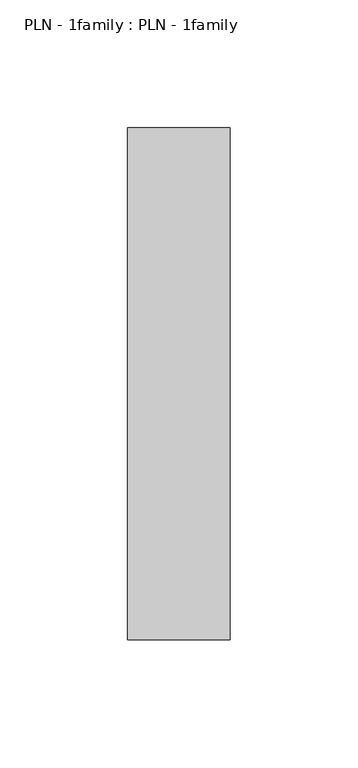
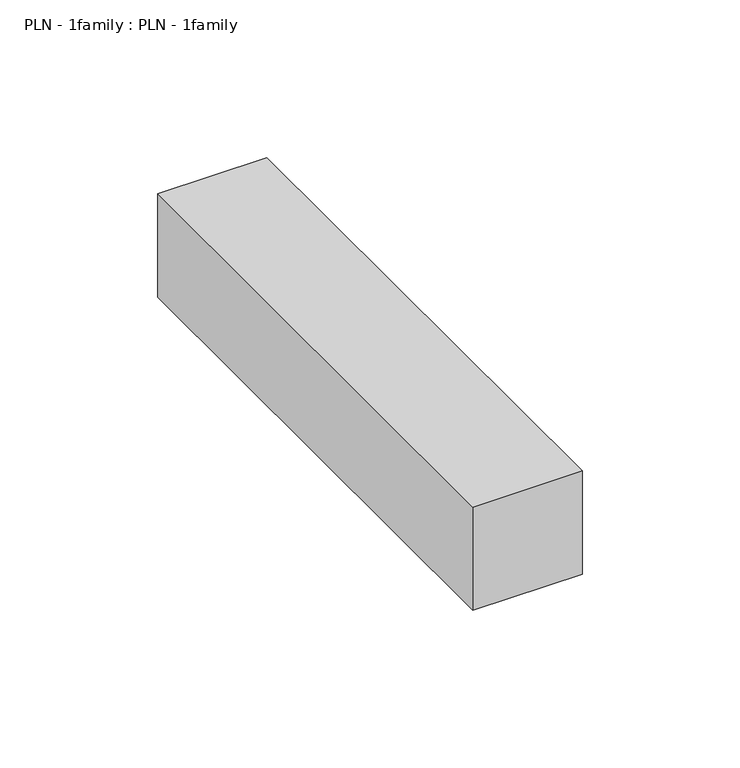
"""IFC4 building model written with IfcOpenShell, lengths in millimetres: proxy geometry, PLN - 1family : PLN - 1family."""

from ifc_helpers import new_model, si_unit, frame, origin, place, context, project, spatial, polyline, outline, extrude, source, transform, mapped, element, save


def pln_1family_pln_1family_5cd1d0f5(model_context):
    return source(origin(), model_context, "Body", "SweptSolid", [
        extrude(outline(polyline([(0.0, 200.0), (40.0, 200.0), (40.0, 0.0), (0.0, 0.0), (0.0, 200.0)])), frame((0.0, 0.0, 300.0), z_axis=(0.0, 0.0, 1.0), x_axis=(1.0, 0.0, 0.0)), (0.0, 0.0, 1.0), 40.0),
    ])


if __name__ == "__main__":
    model = new_model("IFC4")
    model_context = context("Model", 3, world=origin())
    ifc_project = project(units=[si_unit("LENGTHUNIT", "METRE", prefix="MILLI")], contexts=[model_context])
    site = spatial("IfcSite", under=ifc_project)
    building = spatial("IfcBuilding", under=site)
    placement = place(None, origin())
    pln_1family_pln_1family_shape = pln_1family_pln_1family_5cd1d0f5(model_context)
    element("IfcBuildingElementProxy", 1, Name="PLN - 1family : PLN - 1family", ObjectType="PLN - 1family : PLN - 1family", at=placement, inside=building, context=model_context, shape_type="MappedRepresentation", body=[
        mapped(pln_1family_pln_1family_shape, transform((0.0, 0.0, 0.0), x_axis=(1.0, 0.0, 0.0), y_axis=(0.0, 1.0, 0.0), z_axis=(0.0, 0.0, 1.0))),
    ])
    save(model, "model.ifc")
